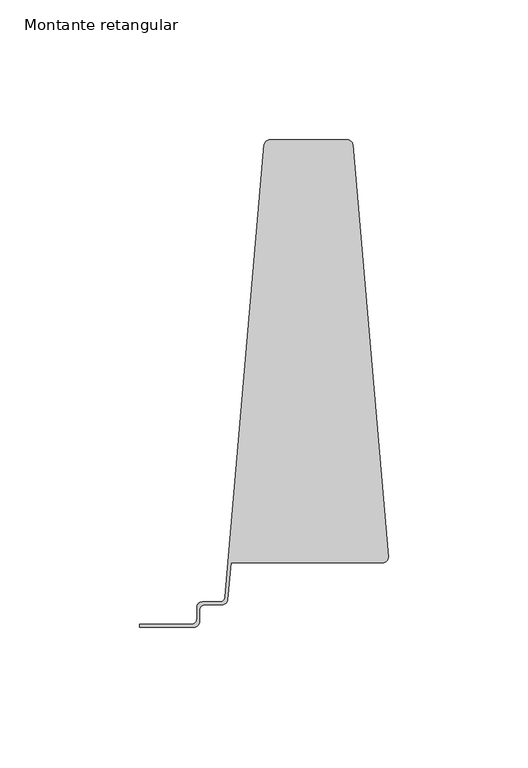
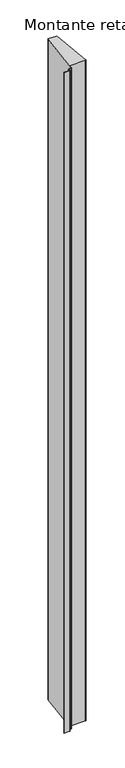
"""IFC4 building model written with IfcOpenShell, lengths in millimetres: member geometry, Montante retangular."""

from ifc_helpers import new_model, si_unit, point, frame, frame_2d, origin, place, context, project, spatial, polyline, circle_curve, trimmed, segment, composite_curve, outline, extrude, source, transform, mapped, element, save


def montante_retangular_f9ea0783(model_context):
    return source(origin(), model_context, "Body", "SweptSolid", [
        extrude(outline(composite_curve([segment(trimmed(circle_curve(frame_2d((22.5, 10.9945725)), 2.0), [point((20.5, 10.9945725))], [point((22.5, 12.9945725))], False, "CARTESIAN"), True, "CONTINUOUS"), segment(polyline([(22.5, 12.9945725), (28.6655412, 12.9945725)]), True, "CONTINUOUS"), segment(trimmed(circle_curve(frame_2d((28.6655412, 14.9945725)), 2.0), [point((28.6655412, 12.9945725))], [point((30.6580998, 14.8222058))], True, "CARTESIAN"), True, "CONTINUOUS"), segment(polyline([(30.6580998, 14.8222058), (44.6510667, 176.5809039)]), True, "CONTINUOUS"), segment(trimmed(circle_curve(frame_2d((46.6436253, 176.4085372)), 2.0), [point((44.6510667, 176.5809039))], [point((46.6436253, 178.4085372))], False, "CARTESIAN"), True, "CONTINUOUS"), segment(polyline([(46.6436253, 178.4085372), (74.3587907, 178.4085372)]), True, "CONTINUOUS"), segment(trimmed(circle_curve(frame_2d((74.3587907, 176.4085372)), 2.0), [point((74.3587907, 178.4085372))], [point((76.3513493, 176.5809039))], False, "CARTESIAN"), True, "CONTINUOUS"), segment(polyline([(76.3513493, 176.5809039), (89.1003387, 29.2025865)]), True, "CONTINUOUS"), segment(trimmed(circle_curve(frame_2d((87.0750832, 29.0273914)), 2.032819), [point((89.1003387, 29.2025865))], [point((87.0750832, 26.9945725))], False, "CARTESIAN"), True, "CONTINUOUS"), segment(polyline([(87.0750832, 26.9945725), (32.7148073, 26.9945725), (31.5753292, 13.8222058)]), True, "CONTINUOUS"), segment(trimmed(circle_curve(frame_2d((29.5827706, 13.9945725)), 2.0), [point((31.5753292, 13.8222058))], [point((29.5827706, 11.9945725))], False, "CARTESIAN"), True, "CONTINUOUS"), segment(polyline([(29.5827706, 11.9945725), (23.5, 11.9945725)]), True, "CONTINUOUS"), segment(trimmed(circle_curve(frame_2d((23.5, 9.9945725)), 2.0), [point((23.5, 11.9945725))], [point((21.5, 9.9945725))], True, "CARTESIAN"), True, "CONTINUOUS"), segment(polyline([(21.5, 9.9945725), (21.5, 5.9945725)]), True, "CONTINUOUS"), segment(trimmed(circle_curve(frame_2d((19.5, 5.9945725)), 2.0), [point((21.5, 5.9945725))], [point((19.5, 3.9945725))], False, "CARTESIAN"), True, "CONTINUOUS"), segment(polyline([(19.5, 3.9945725), (0.0, 3.9945725), (0.0, 4.9945725), (18.5, 4.9945725)]), True, "CONTINUOUS"), segment(trimmed(circle_curve(frame_2d((18.5, 6.9945725)), 2.0), [point((18.5, 4.9945725))], [point((20.5, 6.9945725))], True, "CARTESIAN"), True, "CONTINUOUS"), segment(polyline([(20.5, 6.9945725), (20.5, 10.9945725)]), True, "CONTINUOUS")], self_intersect=False)), frame((0.0, 0.0, -2400.0), z_axis=(0.0, 0.0, 1.0), x_axis=(1.0, 0.0, 0.0)), (0.0, 0.0, 1.0), 2400.0),
    ])


if __name__ == "__main__":
    model = new_model("IFC4")
    model_context = context("Model", 3, world=origin())
    ifc_project = project(units=[si_unit("LENGTHUNIT", "METRE", prefix="MILLI")], contexts=[model_context])
    site = spatial("IfcSite", under=ifc_project)
    building = spatial("IfcBuilding", under=site)
    placement = place(None, origin())
    montante_retangular_shape = montante_retangular_f9ea0783(model_context)
    element("IfcMember", 1, ObjectType="Montante retangular", at=placement, inside=building, context=model_context, shape_type="MappedRepresentation", body=[
        mapped(montante_retangular_shape, transform((0.0, 0.0, 0.0), x_axis=(1.0, 0.0, 0.0), y_axis=(0.0, 1.0, 0.0), z_axis=(0.0, 0.0, 1.0))),
    ])
    save(model, "model.ifc")
